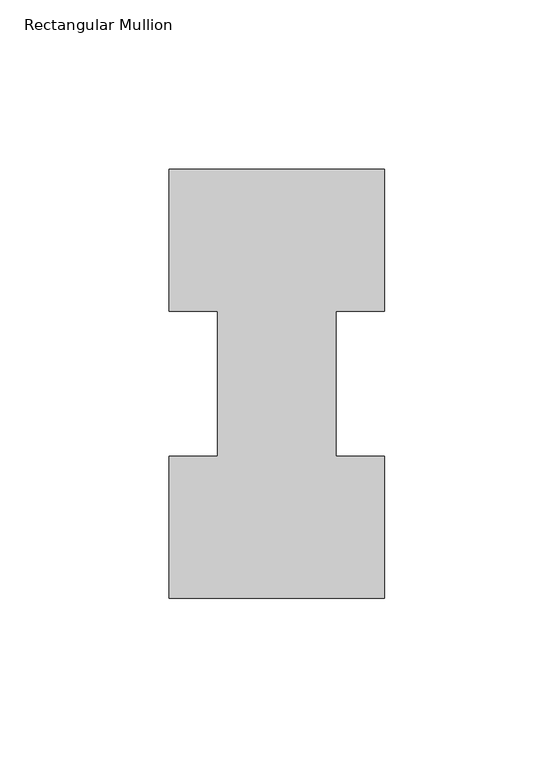
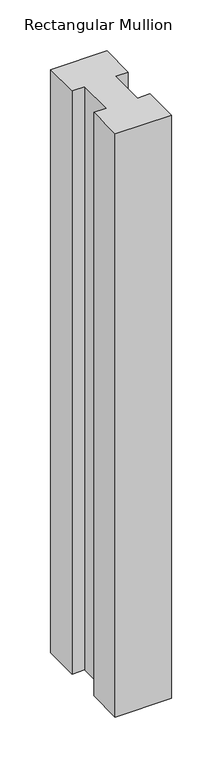
"""IFC4 building model written with IfcOpenShell, lengths in millimetres: member geometry, Rectangular Mullion."""

from ifc_helpers import new_model, si_unit, frame, origin, place, context, project, spatial, polyline, outline, extrude, source, transform, mapped, element, save


def rectangular_mullion_7680ea1f(model_context):
    return source(origin(), model_context, "Body", "SweptSolid", [
        extrude(outline(polyline([(-63.5, 0.26035), (-63.5, 42.08145), (-49.2125, 42.08145), (-49.2125, 84.93125), (-63.5, 84.93125), (-63.5, 126.75235), (0.0, 126.75235), (0.0, 84.93125), (-14.2748, 84.93125), (-14.2748, 42.08145), (0.0, 42.08145), (0.0, 0.26035), (-63.5, 0.26035)])), frame((0.0, 0.0, -698.5864919), z_axis=(0.0, 0.0, 1.0), x_axis=(1.0, 0.0, 0.0)), (0.0, 0.0, 1.0), 698.5864919),
    ])


if __name__ == "__main__":
    model = new_model("IFC4")
    model_context = context("Model", 3, world=origin())
    ifc_project = project(units=[si_unit("LENGTHUNIT", "METRE", prefix="MILLI")], contexts=[model_context])
    site = spatial("IfcSite", under=ifc_project)
    building = spatial("IfcBuilding", under=site)
    placement = place(None, origin())
    rectangular_mullion_shape = rectangular_mullion_7680ea1f(model_context)
    element("IfcMember", 1, ObjectType="Rectangular Mullion", at=placement, inside=building, context=model_context, shape_type="MappedRepresentation", body=[
        mapped(rectangular_mullion_shape, transform((0.0, 0.0, 0.0), x_axis=(1.0, 0.0, 0.0), y_axis=(0.0, 1.0, 0.0), z_axis=(0.0, 0.0, 1.0))),
    ])
    save(model, "model.ifc")
